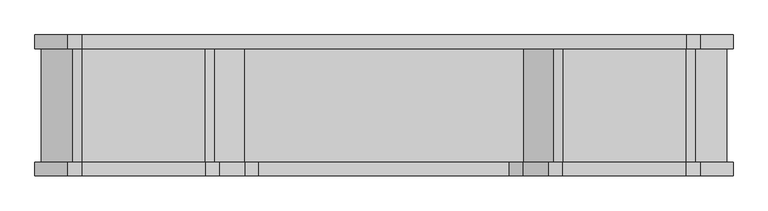
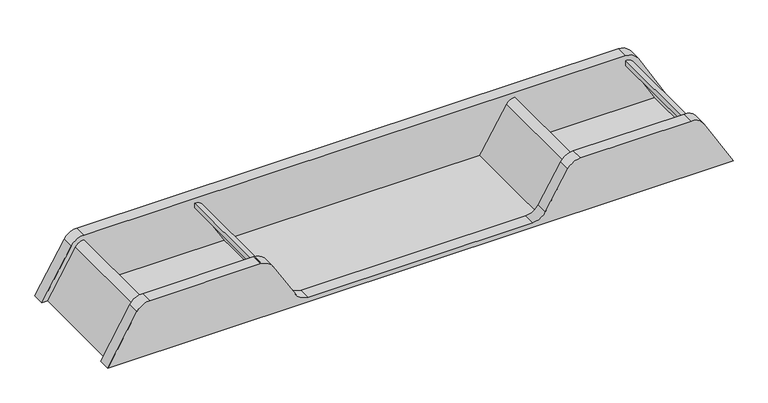
"""IFC4 building model written with IfcOpenShell, lengths in millimetres: proxy geometry."""

from ifc_helpers import new_model, si_unit, point, frame, frame_2d, origin, place, context, project, spatial, polyline, circle_curve, trimmed, segment, composite_curve, outline, extrude, source, transform, mapped, element, save


def specialty_equipment_3e86795a(model_context):
    return source(origin(), model_context, "Body", "SweptSolid", [
        extrude(outline(polyline([(0.0, 639.2288572), (12.7, 646.8562614), (12.7, -646.8562614), (0.0, -639.2288572), (0.0, 639.2288572)])), frame((0.0, 63.5, 0.0), z_axis=(0.0, 1.0, 0.0), x_axis=(0.0, 0.0, 1.0)), (0.0, 0.0, 1.0), 527.05),
        extrude(outline(polyline([(12.7, -676.4851186), (12.7, -1552.827934), (0.0, -1560.3032325), (0.0, -668.8577144), (12.7, -676.4851186)])), frame((0.0, 63.5, 0.0), z_axis=(0.0, 1.0, 0.0), x_axis=(0.0, 0.0, 1.0)), (0.0, 0.0, 1.0), 527.05),
        extrude(outline(polyline([(12.7, 676.4851186), (0.0, 668.8577144), (0.0, 1560.3032325), (12.7, 1552.827934), (12.7, 676.4851186)])), frame((0.0, 63.5, 0.0), z_axis=(0.0, 1.0, 0.0), x_axis=(0.0, 0.0, 1.0)), (0.0, 0.0, 1.0), 527.05),
        extrude(outline(composite_curve([segment(trimmed(circle_curve(frame_2d((217.4875, -829.1058685)), 50.8), [point((243.6425508, -785.5564332))], [point((268.2875, -829.1058685))], False, "CARTESIAN"), True, "CONTINUOUS"), segment(polyline([(268.2875, -829.1058685), (242.8875, -829.1058685)]), True, "CONTINUOUS"), segment(trimmed(circle_curve(frame_2d((217.4875, -829.1058685)), 25.4), [point((242.8875, -829.1058685))], [point((230.5650254, -807.3311508))], True, "CARTESIAN"), True, "CONTINUOUS"), segment(polyline([(230.5650254, -807.3311508), (0.0, -668.8577144), (0.0, -639.2288572), (243.6425508, -785.5564332)]), True, "CONTINUOUS")], self_intersect=False)), frame((0.0, 63.5, 0.0), z_axis=(0.0, 1.0, 0.0), x_axis=(0.0, 0.0, 1.0)), (0.0, 0.0, 1.0), 527.05),
        extrude(outline(composite_curve([segment(polyline([(0.0, -1589.7766162), (0.0, -1560.3032325), (230.3718423, -1424.7049421)]), True, "CONTINUOUS"), segment(trimmed(circle_curve(frame_2d((217.4875, -1402.8153618)), 25.4), [point((230.3718423, -1424.7049421))], [point((242.8875, -1402.8153618))], True, "CARTESIAN"), True, "CONTINUOUS"), segment(polyline([(242.8875, -1402.8153618), (268.2875, -1402.8153618)]), True, "CONTINUOUS"), segment(trimmed(circle_curve(frame_2d((217.4875, -1402.8153618)), 50.8), [point((268.2875, -1402.8153618))], [point((243.2561845, -1446.5945223))], False, "CARTESIAN"), True, "CONTINUOUS"), segment(polyline([(243.2561845, -1446.5945223), (0.0, -1589.7766162)]), True, "CONTINUOUS")], self_intersect=False)), frame((0.0, 63.5, 0.0), z_axis=(0.0, 1.0, 0.0), x_axis=(0.0, 0.0, 1.0)), (0.0, 0.0, 1.0), 527.05),
        extrude(outline(composite_curve([segment(trimmed(circle_curve(frame_2d((217.4875, -1402.8153618)), 76.2), [point((293.6875, -1402.8153618))], [point((256.1405268, -1468.4841026))], False, "CARTESIAN"), True, "CONTINUOUS"), segment(polyline([(256.1405268, -1468.4841026), (0.0, -1619.25), (0.0, 1619.25), (256.1405268, 1468.4841026)]), True, "CONTINUOUS"), segment(trimmed(circle_curve(frame_2d((217.4875, 1402.8153618)), 76.2), [point((256.1405268, 1468.4841026))], [point((293.6875, 1402.8153618))], False, "CARTESIAN"), True, "CONTINUOUS"), segment(polyline([(293.6875, 1402.8153618), (293.6875, 829.1058685)]), True, "CONTINUOUS"), segment(trimmed(circle_curve(frame_2d((217.4875, 829.1058685)), 76.2), [point((293.6875, 829.1058685))], [point((256.7200763, 763.7817155))], False, "CARTESIAN"), True, "CONTINUOUS"), segment(polyline([(256.7200763, 763.7817155), (62.3674237, 647.0568149)]), True, "CONTINUOUS"), segment(trimmed(circle_curve(frame_2d((101.6, 581.732662)), 76.2), [point((62.3674237, 647.0568149))], [point((25.4, 581.732662))], True, "CARTESIAN"), True, "CONTINUOUS"), segment(polyline([(25.4, 581.732662), (25.4, -581.732662)]), True, "CONTINUOUS"), segment(trimmed(circle_curve(frame_2d((101.6, -581.732662)), 76.2), [point((25.4, -581.732662))], [point((62.3674237, -647.0568149))], True, "CARTESIAN"), True, "CONTINUOUS"), segment(polyline([(62.3674237, -647.0568149), (256.7200763, -763.7817155)]), True, "CONTINUOUS"), segment(trimmed(circle_curve(frame_2d((217.4875, -829.1058685)), 76.2), [point((256.7200763, -763.7817155))], [point((293.6875, -829.1058685))], False, "CARTESIAN"), True, "CONTINUOUS"), segment(polyline([(293.6875, -829.1058685), (293.6875, -1402.8153618)]), True, "CONTINUOUS")], self_intersect=False)), frame((0.0, 0.0, 0.0), z_axis=(0.0, 1.0, 0.0), x_axis=(0.0, 0.0, 1.0)), (0.0, 0.0, 1.0), 63.5),
        extrude(outline(composite_curve([segment(polyline([(0.0, -1619.25), (0.0, 1619.25), (256.1405268, 1468.4841026)]), True, "CONTINUOUS"), segment(trimmed(circle_curve(frame_2d((217.4875, 1402.8153618)), 76.2), [point((256.1405268, 1468.4841026))], [point((293.6875, 1402.8153618))], False, "CARTESIAN"), True, "CONTINUOUS"), segment(polyline([(293.6875, 1402.8153618), (293.6875, -1402.8153618)]), True, "CONTINUOUS"), segment(trimmed(circle_curve(frame_2d((217.4875, -1402.8153618)), 76.2), [point((293.6875, -1402.8153618))], [point((256.1405268, -1468.4841026))], False, "CARTESIAN"), True, "CONTINUOUS"), segment(polyline([(256.1405268, -1468.4841026), (0.0, -1619.25)]), True, "CONTINUOUS")], self_intersect=False)), frame((0.0, 590.55, 0.0), z_axis=(0.0, 1.0, 0.0), x_axis=(0.0, 0.0, 1.0)), (0.0, 0.0, 1.0), 63.5),
        extrude(outline(composite_curve([segment(polyline([(243.6425508, 785.5564332), (0.0, 639.2288572), (0.0, 668.8577144), (230.5650254, 807.3311508)]), True, "CONTINUOUS"), segment(trimmed(circle_curve(frame_2d((217.4875, 829.1058685)), 25.4), [point((230.5650254, 807.3311508))], [point((242.8875, 829.1058685))], True, "CARTESIAN"), True, "CONTINUOUS"), segment(polyline([(242.8875, 829.1058685), (268.2875, 829.1058685)]), True, "CONTINUOUS"), segment(trimmed(circle_curve(frame_2d((217.4875, 829.1058685)), 50.8), [point((268.2875, 829.1058685))], [point((243.6425508, 785.5564332))], False, "CARTESIAN"), True, "CONTINUOUS")], self_intersect=False)), frame((0.0, 63.5, 0.0), z_axis=(0.0, 1.0, 0.0), x_axis=(0.0, 0.0, 1.0)), (0.0, 0.0, 1.0), 527.05),
        extrude(outline(composite_curve([segment(polyline([(0.0, 1589.7766162), (243.2561845, 1446.5945223)]), True, "CONTINUOUS"), segment(trimmed(circle_curve(frame_2d((217.4875, 1402.8153618)), 50.8), [point((243.2561845, 1446.5945223))], [point((268.2875, 1402.8153618))], False, "CARTESIAN"), True, "CONTINUOUS"), segment(polyline([(268.2875, 1402.8153618), (242.8875, 1402.8153618)]), True, "CONTINUOUS"), segment(trimmed(circle_curve(frame_2d((217.4875, 1402.8153618)), 25.4), [point((242.8875, 1402.8153618))], [point((230.3718423, 1424.7049421))], True, "CARTESIAN"), True, "CONTINUOUS"), segment(polyline([(230.3718423, 1424.7049421), (0.0, 1560.3032325), (0.0, 1589.7766162)]), True, "CONTINUOUS")], self_intersect=False)), frame((0.0, 63.5, 0.0), z_axis=(0.0, 1.0, 0.0), x_axis=(0.0, 0.0, 1.0)), (0.0, 0.0, 1.0), 527.05),
    ])


if __name__ == "__main__":
    model = new_model("IFC4")
    model_context = context("Model", 3, world=origin())
    ifc_project = project(units=[si_unit("LENGTHUNIT", "METRE", prefix="MILLI")], contexts=[model_context])
    site = spatial("IfcSite", under=ifc_project)
    building = spatial("IfcBuilding", under=site)
    placement = place(None, origin())
    specialty_equipment_shape = specialty_equipment_3e86795a(model_context)
    element("IfcBuildingElementProxy", 1, Name="Specialty Equipment", at=placement, inside=building, context=model_context, shape_type="MappedRepresentation", body=[
        mapped(specialty_equipment_shape, transform((0.0, 0.0, 0.0), x_axis=(1.0, 0.0, 0.0), y_axis=(0.0, 1.0, 0.0), z_axis=(0.0, 0.0, 1.0))),
    ])
    save(model, "model.ifc")
